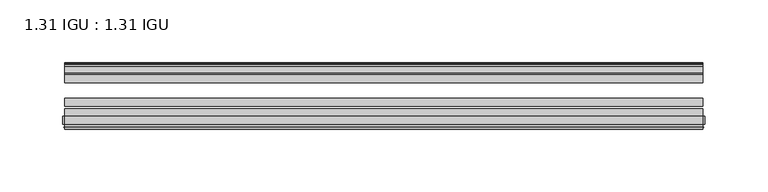
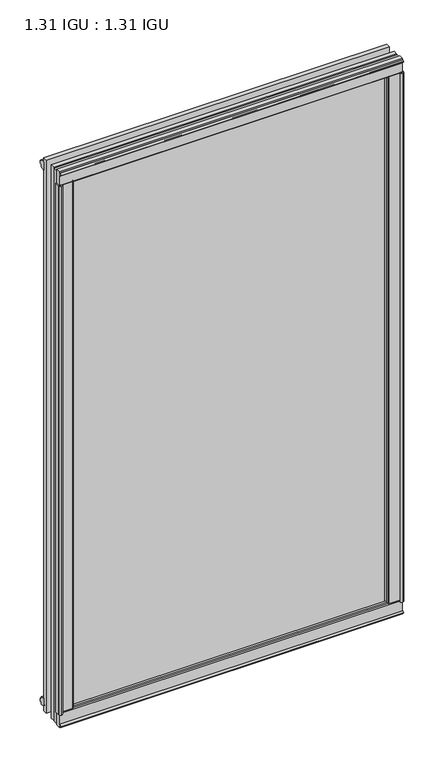
"""IFC4 building model written with IfcOpenShell, lengths in millimetres: plate geometry, 1.31 IGU : 1.31 IGU."""

from ifc_helpers import new_model, si_unit, point, frame, frame_2d, origin, origin_with_axes, place, context, project, spatial, polyline, circle_curve, trimmed, segment, composite_curve, outline, extrude, source, transform, mapped, element, save


def plate_1_31_igu_1_31_igu_1901c307(model_context):
    return source(origin(), model_context, "Body", "SweptSolid", [
        extrude(outline(polyline([(242.3648568, -11.1943457), (240.9628235, -11.5700195), (240.7327333, -10.7113114), (243.1457333, -10.06475), (245.5587333, -10.7113114), (245.3286432, -11.5700195), (243.9266098, -11.1943457), (244.5427333, -13.49375), (248.2213074, -13.49375), (248.2213074, -18.1284104), (246.7926628, -19.84375), (235.0799921, -19.84375), (236.7957333, -13.49375), (241.7487333, -13.49375), (242.3648568, -11.1943457)])), origin_with_axes(), (0.0, 0.0, 1.0), 831.85),
        extrude(outline(polyline([(-242.3648568, -11.1943457), (-241.7487333, -13.49375), (-236.7957333, -13.49375), (-235.0799921, -19.84375), (-246.7926628, -19.84375), (-248.2213074, -18.1284104), (-248.2213074, -13.49375), (-244.5427333, -13.49375), (-243.9266098, -11.1943457), (-245.3286432, -11.5700195), (-245.5587333, -10.7113114), (-243.1457333, -10.06475), (-240.7327333, -10.7113114), (-240.9628235, -11.5700195), (-242.3648568, -11.1943457)])), origin_with_axes(), (0.0, 0.0, 1.0), 831.85),
        extrude(outline(polyline([(-13.49375, -5.7276998), (-11.1943457, -6.3438233), (-11.5700195, -4.9417899), (-10.7113114, -4.7116998), (-10.06475, -7.1246998), (-10.7113114, -9.5376998), (-11.5700195, -9.3076097), (-11.1943457, -7.9055763), (-13.49375, -8.5216998), (-13.49375, -12.2002739), (-18.1284104, -12.2002739), (-19.84375, -10.7716292), (-19.84375, 0.9410414), (-13.49375, -0.7746998), (-13.49375, -5.7276998)])), frame((-255.0583333, 0.0, 0.0), z_axis=(1.0, 0.0, 0.0), x_axis=(0.0, 1.0, 0.0)), (0.0, 0.0, 1.0), 510.1166667),
        extrude(outline(composite_curve([segment(polyline([(-55.9719113, 2.457708), (-53.16855, 3.0868452), (-53.16855, -20.9097918), (-59.51855, -20.9097918), (-59.51855, -18.6868471), (-62.0391488, -18.0752025), (-61.5965021, -19.0933159), (-61.5965021, -19.98942), (-63.2729251, -17.4063265), (-61.3290281, -15.2058028), (-61.3290281, -16.0360741), (-61.9417436, -16.9618553), (-59.51855, -16.8077164), (-59.51855, 0.6826418)]), True, "CONTINUOUS"), segment(trimmed(circle_curve(frame_2d((-58.24855, 0.6826418)), 1.27), [point((-59.51855, 0.6826418))], [point((-58.6007815, 1.9028193))], False, "CARTESIAN"), True, "CONTINUOUS"), segment(polyline([(-58.6007815, 1.9028193), (-55.9719113, 2.457708)]), True, "CONTINUOUS")], self_intersect=False)), frame((-255.0583333, 0.0, 0.0), z_axis=(1.0, 0.0, 0.0), x_axis=(0.0, 1.0, 0.0)), (0.0, 0.0, 1.0), 510.1166667),
        extrude(outline(polyline([(-13.49375, 837.5776998), (-13.49375, 832.6246998), (-19.84375, 830.9089586), (-19.84375, 842.6216292), (-18.1284104, 844.0502739), (-13.49375, 844.0502739), (-13.49375, 840.3716998), (-11.1943457, 839.7555763), (-11.5700195, 841.1576097), (-10.7113114, 841.3876998), (-10.06475, 838.9746998), (-10.7113114, 836.5616998), (-11.5700195, 836.7917899), (-11.1943457, 838.1938233), (-13.49375, 837.5776998)])), frame((-255.0583333, 0.0, 0.0), z_axis=(1.0, 0.0, 0.0), x_axis=(0.0, 1.0, 0.0)), (0.0, 0.0, 1.0), 510.1166667),
        extrude(outline(composite_curve([segment(polyline([(-55.9719113, 829.392292), (-58.6007815, 829.9471807)]), True, "CONTINUOUS"), segment(trimmed(circle_curve(frame_2d((-58.24855, 831.1673582)), 1.27), [point((-58.6007815, 829.9471807))], [point((-59.51855, 831.1673582))], False, "CARTESIAN"), True, "CONTINUOUS"), segment(polyline([(-59.51855, 831.1673582), (-59.51855, 848.6577164), (-61.9417436, 848.8118553), (-61.3290281, 847.8860741), (-61.3290281, 847.0558028), (-63.2729251, 849.2563265), (-61.5965021, 851.83942), (-61.5965021, 850.9433159), (-62.0391488, 849.9252025), (-59.51855, 850.5368471), (-59.51855, 852.7597918), (-53.16855, 852.7597918), (-53.16855, 828.7631548), (-55.9719113, 829.392292)]), True, "CONTINUOUS")], self_intersect=False)), frame((-255.0583333, 0.0, 0.0), z_axis=(1.0, 0.0, 0.0), x_axis=(0.0, 1.0, 0.0)), (0.0, 0.0, 1.0), 510.1166667),
        extrude(outline(composite_curve([segment(polyline([(-253.42736, -63.2729251), (-256.0104535, -61.5965021), (-255.1143494, -61.5965021), (-254.096236, -62.0391488), (-254.7078806, -59.51855), (-256.9308253, -59.51855), (-256.9308253, -53.16855), (-232.9341884, -53.16855), (-233.5633256, -55.9719113), (-234.1182143, -58.6007815)]), True, "CONTINUOUS"), segment(trimmed(circle_curve(frame_2d((-235.3383917, -58.24855)), 1.27), [point((-234.1182143, -58.6007815))], [point((-235.3383917, -59.51855))], False, "CARTESIAN"), True, "CONTINUOUS"), segment(polyline([(-235.3383917, -59.51855), (-252.82875, -59.51855), (-252.9828888, -61.9417436), (-252.0571076, -61.3290281), (-251.2455796, -61.3290281), (-253.42736, -63.2729251)]), True, "CONTINUOUS")], self_intersect=False)), origin_with_axes(), (0.0, 0.0, 1.0), 831.85),
        extrude(outline(composite_curve([segment(polyline([(253.42736, -63.2729251), (251.2455796, -61.3290281), (252.0571076, -61.3290281), (252.9828888, -61.9417436), (252.82875, -59.51855), (235.3383917, -59.51855)]), True, "CONTINUOUS"), segment(trimmed(circle_curve(frame_2d((235.3383917, -58.24855)), 1.27), [point((235.3383917, -59.51855))], [point((234.1182143, -58.6007815))], False, "CARTESIAN"), True, "CONTINUOUS"), segment(polyline([(234.1182143, -58.6007815), (233.5633256, -55.9719113), (232.9341884, -53.16855), (256.9308253, -53.16855), (256.9308253, -59.51855), (254.7078806, -59.51855), (254.096236, -62.0391488), (255.1143494, -61.5965021), (256.0104535, -61.5965021), (253.42736, -63.2729251)]), True, "CONTINUOUS")], self_intersect=False)), origin_with_axes(), (0.0, 0.0, 1.0), 831.85),
        extrude(outline(polyline([(255.0583333, -19.84375), (255.0583333, -26.14295), (-255.0583333, -26.14295), (-255.0583333, -19.84375), (255.0583333, -19.84375)])), frame((0.0, 0.0, -19.05), z_axis=(0.0, 0.0, 1.0), x_axis=(1.0, 0.0, 0.0)), (0.0, 0.0, 1.0), 869.95),
        extrude(outline(polyline([(-255.0583333, -44.83735), (-255.0583333, -38.53815), (255.0583333, -38.53815), (255.0583333, -44.83735), (-255.0583333, -44.83735)])), frame((0.0, 0.0, -19.05), z_axis=(0.0, 0.0, 1.0), x_axis=(1.0, 0.0, 0.0)), (0.0, 0.0, 1.0), 869.95),
        extrude(outline(polyline([(-255.0583333, -53.16855), (-255.0583333, -46.86935), (255.0583333, -46.86935), (255.0583333, -53.16855), (-255.0583333, -53.16855)])), frame((0.0, 0.0, -19.05), z_axis=(0.0, 0.0, 1.0), x_axis=(1.0, 0.0, 0.0)), (0.0, 0.0, 1.0), 869.95),
    ])


if __name__ == "__main__":
    model = new_model("IFC4")
    model_context = context("Model", 3, world=origin())
    ifc_project = project(units=[si_unit("LENGTHUNIT", "METRE", prefix="MILLI")], contexts=[model_context])
    site = spatial("IfcSite", under=ifc_project)
    building = spatial("IfcBuilding", under=site)
    placement = place(None, origin())
    plate_1_31_igu_1_31_igu_shape = plate_1_31_igu_1_31_igu_1901c307(model_context)
    element("IfcPlate", 1, ObjectType="1.31 IGU : 1.31 IGU", at=placement, inside=building, context=model_context, shape_type="MappedRepresentation", body=[
        mapped(plate_1_31_igu_1_31_igu_shape, transform((0.0, 0.0, 0.0), x_axis=(1.0, 0.0, 0.0), y_axis=(0.0, 1.0, 0.0), z_axis=(0.0, 0.0, 1.0))),
    ])
    save(model, "model.ifc")
